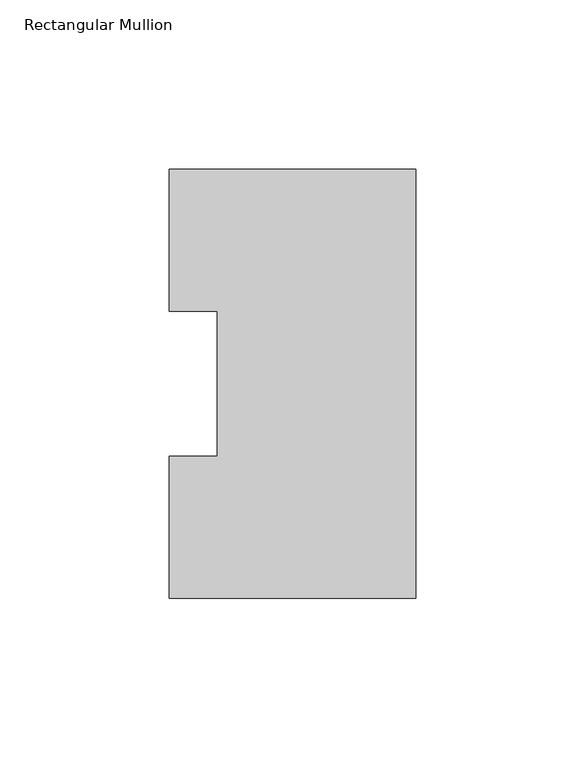
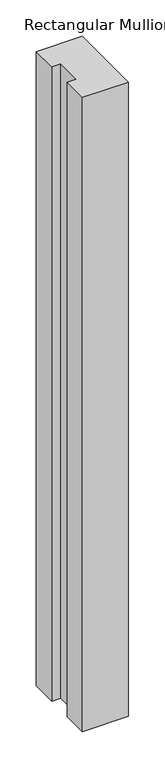
"""IFC4 building model written with IfcOpenShell, lengths in millimetres: member geometry, Rectangular Mullion."""

from ifc_helpers import new_model, si_unit, frame, origin, place, context, project, spatial, polyline, outline, extrude, source, transform, mapped, element, save


def rectangular_mullion_c87f64d6(model_context):
    return source(origin(), model_context, "Body", "SweptSolid", [
        extrude(outline(polyline([(0.0, 127.006348), (0.0, 0.0063465), (-73.025, 0.0063465), (-73.025, 42.0814491), (-58.7375, 42.0814491), (-58.7375, 84.93125), (-73.025, 84.93125), (-73.025, 127.006348), (0.0, 127.006348)])), frame((0.0, 0.0, -1066.80635), z_axis=(0.0, 0.0, 1.0), x_axis=(1.0, 0.0, 0.0)), (0.0, 0.0, 1.0), 1066.80635),
    ])


if __name__ == "__main__":
    model = new_model("IFC4")
    model_context = context("Model", 3, world=origin())
    ifc_project = project(units=[si_unit("LENGTHUNIT", "METRE", prefix="MILLI")], contexts=[model_context])
    site = spatial("IfcSite", under=ifc_project)
    building = spatial("IfcBuilding", under=site)
    placement = place(None, origin())
    rectangular_mullion_shape = rectangular_mullion_c87f64d6(model_context)
    element("IfcMember", 1, ObjectType="Rectangular Mullion", at=placement, inside=building, context=model_context, shape_type="MappedRepresentation", body=[
        mapped(rectangular_mullion_shape, transform((0.0, 0.0, 0.0), x_axis=(1.0, 0.0, 0.0), y_axis=(0.0, 1.0, 0.0), z_axis=(0.0, 0.0, 1.0))),
    ])
    save(model, "model.ifc")
